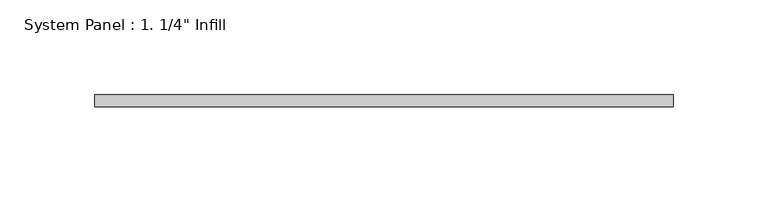
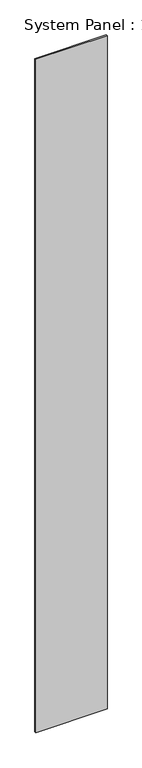
"""IFC4 building model written with IfcOpenShell, lengths in millimetres: plate geometry."""

import ifcopenshell
import ifcopenshell.guid

model = None  # the IFC model being written
_history = None  # IfcOwnerHistory: only IFC2X3 demands one
_inside = {}  # id of a spatial element -> (the spatial element, [elements in it])
_under = {}  # id of a project, library or spatial element -> (it, [spatial elements below it])
_declared = {}  # id of a project -> (the project, [libraries it declares])
_typed = {}  # id of a type object -> (the type object, [elements of that type])
_made_of = {}  # id of a material, layer set ... -> (it, [elements and type objects made of it])


def new_model(schema):
    """Start an empty IFC model of exactly this schema.

    Asked for "IFC4X3", IfcOpenShell would pick the latest addendum, in which some entities
    have other attributes; the version numbers below select the first issue.
    IFC2X3 requires an IfcOwnerHistory on every rooted entity: one is made here for all.
    """
    global model, _history
    if schema == "IFC4X3":
        model = ifcopenshell.file(schema_version=(4, 3, 0, 0))
    else:
        model = ifcopenshell.file(schema=schema)
    _inside.clear()
    _under.clear()
    _declared.clear()
    _typed.clear()
    _made_of.clear()
    _history = None
    if model.schema == "IFC2X3":
        org = make("IfcOrganization", Name="unknown")
        user = make(
            "IfcPersonAndOrganization",
            ThePerson=make("IfcPerson", FamilyName="unknown"),
            TheOrganization=org,
        )
        app = make(
            "IfcApplication",
            ApplicationDeveloper=org,
            Version="unknown",
            ApplicationFullName="unknown",
            ApplicationIdentifier="unknown",
        )
        _history = make(
            "IfcOwnerHistory",
            OwningUser=user,
            OwningApplication=app,
            ChangeAction="ADDED",
            CreationDate=0,
        )
    return model


def make(cls, **values):
    """One entity of the class cls with the attributes given. An attribute that is None is left unset."""
    return model.create_entity(
        cls, **{name: value for name, value in values.items() if value is not None}
    )


def rooted(cls, **values):
    """An entity with a GlobalId (a new one), such as an element, a storey or a relation."""
    return make(cls, GlobalId=ifcopenshell.guid.new(), OwnerHistory=_history, **values)


def si_unit(unit_type, name, prefix=None):
    """IfcSIUnit, for example si_unit("LENGTHUNIT", "METRE", prefix="MILLI")."""
    return make("IfcSIUnit", UnitType=unit_type, Prefix=prefix, Name=name)


def assignment(units):
    """IfcUnitAssignment: the units of a project."""
    return None if units is None else make("IfcUnitAssignment", Units=units)


def point(xyz):
    """IfcCartesianPoint."""
    return None if xyz is None else make("IfcCartesianPoint", Coordinates=xyz)


def direction(xyz):
    """IfcDirection."""
    return None if xyz is None else make("IfcDirection", DirectionRatios=xyz)


def frame(location, z_axis=None, x_axis=None):
    """IfcAxis2Placement3D, a coordinate frame: its origin and axes. An axis left out is left unset."""
    return make(
        "IfcAxis2Placement3D",
        Location=point(location),
        Axis=direction(z_axis),
        RefDirection=direction(x_axis),
    )


def origin():
    """The frame at (0, 0, 0) with its axes left unset."""
    return frame((0.0, 0.0, 0.0))


def origin_with_axes():
    """The frame at (0, 0, 0) with the z axis (0, 0, 1) and the x axis (1, 0, 0) written out."""
    return frame((0.0, 0.0, 0.0), z_axis=(0.0, 0.0, 1.0), x_axis=(1.0, 0.0, 0.0))


def place(relative_to, where):
    """IfcLocalPlacement: puts the frame where relative to a parent placement (None: the world)."""
    return make(
        "IfcLocalPlacement", PlacementRelTo=relative_to, RelativePlacement=where
    )


def context(
    kind, dimensions, precision=None, world=None, true_north=None, identifier=None
):
    """IfcGeometricRepresentationContext, for example the 3D "Model" context."""
    return make(
        "IfcGeometricRepresentationContext",
        ContextIdentifier=identifier,
        ContextType=kind,
        CoordinateSpaceDimension=dimensions,
        Precision=precision,
        WorldCoordinateSystem=world,
        TrueNorth=true_north,
    )


def project(units=None, contexts=None):
    """IfcProject with its units and contexts."""
    return rooted(
        "IfcProject",
        Name="project",
        RepresentationContexts=contexts,
        UnitsInContext=assignment(units),
    )


def spatial(cls, under=None, at=None, **own):
    """A site, building, storey or space (cls), placed at a placement, below another one or the project."""
    s = rooted(cls, ObjectPlacement=at, **own)
    if under is not None:
        _under.setdefault(under.id(), (under, []))[1].append(s)
    return s


def polyline(points):
    """IfcPolyline through the points."""
    return make("IfcPolyline", Points=[point(p) for p in points])


def outline(outer, holes=None, kind="AREA"):
    """IfcArbitraryClosedProfileDef: a profile drawn as a closed curve; with holes, ...WithVoids."""
    if holes is None:
        return make("IfcArbitraryClosedProfileDef", ProfileType=kind, OuterCurve=outer)
    return make(
        "IfcArbitraryProfileDefWithVoids",
        ProfileType=kind,
        OuterCurve=outer,
        InnerCurves=holes,
    )


def extrude(swept, where, along, depth):
    """IfcExtrudedAreaSolid: the profile swept, set in the frame where, extruded along a direction by depth."""
    return make(
        "IfcExtrudedAreaSolid",
        SweptArea=swept,
        Position=where,
        ExtrudedDirection=direction(along),
        Depth=depth,
    )


def shape(context_of_items, identifier, shape_type, items):
    """IfcShapeRepresentation: the items that make up one representation, for example the "Body"."""
    return make(
        "IfcShapeRepresentation",
        ContextOfItems=context_of_items,
        RepresentationIdentifier=identifier,
        RepresentationType=shape_type,
        Items=items,
    )


def source(mapping_origin, context_of_items, identifier, shape_type, items):
    """IfcRepresentationMap: a shape defined once, which mapped items show again and again."""
    return make(
        "IfcRepresentationMap",
        MappingOrigin=mapping_origin,
        MappedRepresentation=shape(context_of_items, identifier, shape_type, items),
    )


def transform(
    local_origin,
    x_axis=None,
    y_axis=None,
    z_axis=None,
    scale=None,
    scale2=None,
    scale3=None,
    uniform=True,
):
    """IfcCartesianTransformationOperator3D, or its non-uniform kind. x_axis, y_axis, z_axis: its Axis1, 2, 3."""
    if uniform:
        return make(
            "IfcCartesianTransformationOperator3D",
            Axis1=direction(x_axis),
            Axis2=direction(y_axis),
            LocalOrigin=point(local_origin),
            Scale=scale,
            Axis3=direction(z_axis),
        )
    return make(
        "IfcCartesianTransformationOperator3DnonUniform",
        Axis1=direction(x_axis),
        Axis2=direction(y_axis),
        LocalOrigin=point(local_origin),
        Scale=scale,
        Axis3=direction(z_axis),
        Scale2=scale2,
        Scale3=scale3,
    )


def mapped(mapping_source, mapping_target):
    """IfcMappedItem: shows the shape of a source again, moved by a transform."""
    return make(
        "IfcMappedItem", MappingSource=mapping_source, MappingTarget=mapping_target
    )


def made_of(thing, what):
    """Note that an element or type object is made of a material, layer set ...; save() writes the relation."""
    if what is not None:
        _made_of.setdefault(what.id(), (what, []))[1].append(thing)
    return thing


def element(
    cls,
    number,
    at=None,
    inside=None,
    cuts=None,
    type_object=None,
    material=None,
    context=None,
    identifier="Body",
    shape_type=None,
    held_by="IfcProductDefinitionShape",
    body=None,
    shapes=None,
    **own,
):
    """One element of the class cls, such as IfcWall. Its Tag is "e" and its number.

    at: its placement. inside: the storey or other place that contains it. cuts: it is an
    opening in that element (IfcRelVoidsElement). A single representation is given by context,
    identifier, shape_type and body (its items); several are given by shapes. held_by: the class
    of the entity that holds the representations. save() writes the other relations.
    """
    e = rooted(cls, Tag="e%d" % number, ObjectPlacement=at, **own)
    if body is not None:
        shapes = [shape(context, identifier, shape_type, body)]
    if shapes is not None:
        e.Representation = make(held_by, Representations=shapes)
    if inside is not None:
        _inside.setdefault(inside.id(), (inside, []))[1].append(e)
    if cuts is not None:
        rooted(
            "IfcRelVoidsElement", RelatingBuildingElement=cuts, RelatedOpeningElement=e
        )
    if type_object is not None:
        _typed.setdefault(type_object.id(), (type_object, []))[1].append(e)
    return made_of(e, material)


def aggregate(whole, parts):
    """IfcRelAggregates: a whole, such as a stair, and the parts it consists of."""
    return rooted("IfcRelAggregates", RelatingObject=whole, RelatedObjects=parts)


def save(model, path):
    """Write the relations noted so far, then the file.

    IfcRelAggregates (storeys below a building ...), IfcRelContainedInSpatialStructure (elements
    in a storey), IfcRelDefinesByType, IfcRelAssociatesMaterial and IfcRelDeclares: one each for
    every whole, place, type object, material and project.
    """
    for whole, parts in _under.values():
        aggregate(whole, parts)
    for where, things in _inside.values():
        rooted(
            "IfcRelContainedInSpatialStructure",
            RelatedElements=things,
            RelatingStructure=where,
        )
    for kind, things in _typed.values():
        rooted("IfcRelDefinesByType", RelatedObjects=things, RelatingType=kind)
    for what, things in _made_of.values():
        rooted("IfcRelAssociatesMaterial", RelatedObjects=things, RelatingMaterial=what)
    for by, libraries in _declared.values():
        rooted("IfcRelDeclares", RelatingContext=by, RelatedDefinitions=libraries)
    model.write(path)


def plate_63b8a629(model_context):
    return source(origin(), model_context, "Body", "SweptSolid", [
        extrude(outline(polyline([(152.4445092, 0.0), (-152.4445092, 0.0), (-152.4445092, 6.35), (152.4445092, 6.35), (152.4445092, 0.0)])), origin_with_axes(), (0.0, 0.0, 1.0), 3048.0),
    ])


if __name__ == "__main__":
    model = new_model("IFC4")
    model_context = context("Model", 3, world=origin())
    ifc_project = project(units=[si_unit("LENGTHUNIT", "METRE", prefix="MILLI")], contexts=[model_context])
    site = spatial("IfcSite", under=ifc_project)
    building = spatial("IfcBuilding", under=site)
    placement = place(None, origin())
    plate_shape = plate_63b8a629(model_context)
    element("IfcPlate", 1, ObjectType="System Panel : 1. 1/4\" Infill", at=placement, inside=building, context=model_context, shape_type="MappedRepresentation", body=[
        mapped(plate_shape, transform((0.0, 0.0, 0.0), x_axis=(1.0, 0.0, 0.0), y_axis=(0.0, 1.0, 0.0), z_axis=(0.0, 0.0, 1.0))),
    ])
    save(model, "model.ifc")
